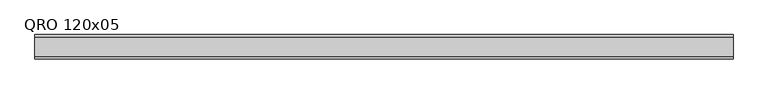
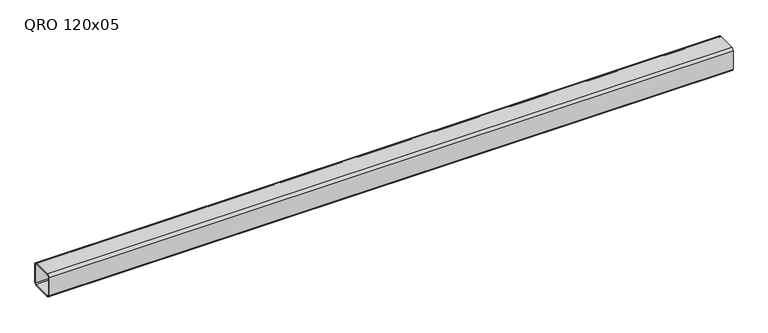
"""IFC4 building model written with IfcOpenShell, lengths in millimetres: beam geometry, QRO 120x05."""

from ifc_helpers import new_model, si_unit, point, frame, frame_2d, origin, place, context, project, spatial, polyline, circle_curve, trimmed, segment, composite_curve, outline, extrude, source, transform, mapped, element, save


def qro_120x05_eb139d5f(model_context):
    return source(origin(), model_context, "Body", "SweptSolid", [
        extrude(outline(composite_curve([segment(polyline([(60.0, 48.0), (60.0, -48.0)]), True, "CONTINUOUS"), segment(trimmed(circle_curve(frame_2d((48.0, -48.0)), 12.0), [point((60.0, -48.0))], [point((48.0, -60.0))], False, "CARTESIAN"), True, "CONTINUOUS"), segment(polyline([(48.0, -60.0), (-48.0, -60.0)]), True, "CONTINUOUS"), segment(trimmed(circle_curve(frame_2d((-48.0, -48.0)), 12.0), [point((-48.0, -60.0))], [point((-60.0, -48.0))], False, "CARTESIAN"), True, "CONTINUOUS"), segment(polyline([(-60.0, -48.0), (-60.0, 48.0)]), True, "CONTINUOUS"), segment(trimmed(circle_curve(frame_2d((-48.0, 48.0)), 12.0), [point((-60.0, 48.0))], [point((-48.0, 60.0))], False, "CARTESIAN"), True, "CONTINUOUS"), segment(polyline([(-48.0, 60.0), (48.0, 60.0)]), True, "CONTINUOUS"), segment(trimmed(circle_curve(frame_2d((48.0, 48.0)), 12.0), [point((48.0, 60.0))], [point((60.0, 48.0))], False, "CARTESIAN"), True, "CONTINUOUS")], self_intersect=False), holes=[composite_curve([segment(trimmed(circle_curve(frame_2d((-48.0, 48.0)), 6.0), [point((-48.0, 54.0))], [point((-54.0, 48.0))], True, "CARTESIAN"), True, "CONTINUOUS"), segment(polyline([(-54.0, 48.0), (-54.0, -48.0)]), True, "CONTINUOUS"), segment(trimmed(circle_curve(frame_2d((-48.0, -48.0)), 6.0), [point((-54.0, -48.0))], [point((-48.0, -54.0))], True, "CARTESIAN"), True, "CONTINUOUS"), segment(polyline([(-48.0, -54.0), (48.0, -54.0)]), True, "CONTINUOUS"), segment(trimmed(circle_curve(frame_2d((48.0, -48.0)), 6.0), [point((48.0, -54.0))], [point((54.0, -48.0))], True, "CARTESIAN"), True, "CONTINUOUS"), segment(polyline([(54.0, -48.0), (54.0, 48.0)]), True, "CONTINUOUS"), segment(trimmed(circle_curve(frame_2d((48.0, 48.0)), 6.0), [point((54.0, 48.0))], [point((48.0, 54.0))], True, "CARTESIAN"), True, "CONTINUOUS"), segment(polyline([(48.0, 54.0), (-48.0, 54.0)]), True, "CONTINUOUS")], self_intersect=False)]), frame((-1716.4194264, 0.0, 0.0), z_axis=(1.0, 0.0, 0.0), x_axis=(0.0, 1.0, 0.0)), (0.0, 0.0, 1.0), 3428.2074332),
    ])


if __name__ == "__main__":
    model = new_model("IFC4")
    model_context = context("Model", 3, world=origin())
    ifc_project = project(units=[si_unit("LENGTHUNIT", "METRE", prefix="MILLI")], contexts=[model_context])
    site = spatial("IfcSite", under=ifc_project)
    building = spatial("IfcBuilding", under=site)
    placement = place(None, origin())
    qro_120x05_shape = qro_120x05_eb139d5f(model_context)
    element("IfcBeam", 1, ObjectType="QRO 120x05", at=placement, inside=building, context=model_context, shape_type="MappedRepresentation", body=[
        mapped(qro_120x05_shape, transform((0.0, 0.0, 0.0), x_axis=(1.0, 0.0, 0.0), y_axis=(0.0, 1.0, 0.0), z_axis=(0.0, 0.0, 1.0))),
    ])
    save(model, "model.ifc")
